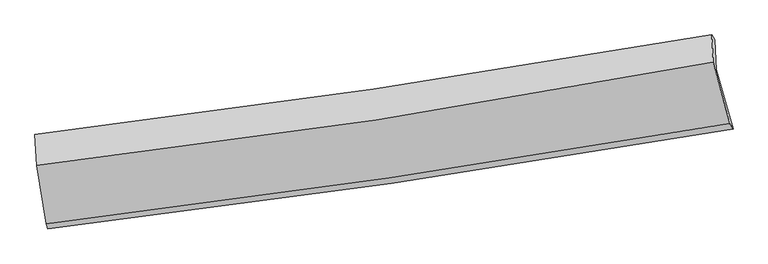
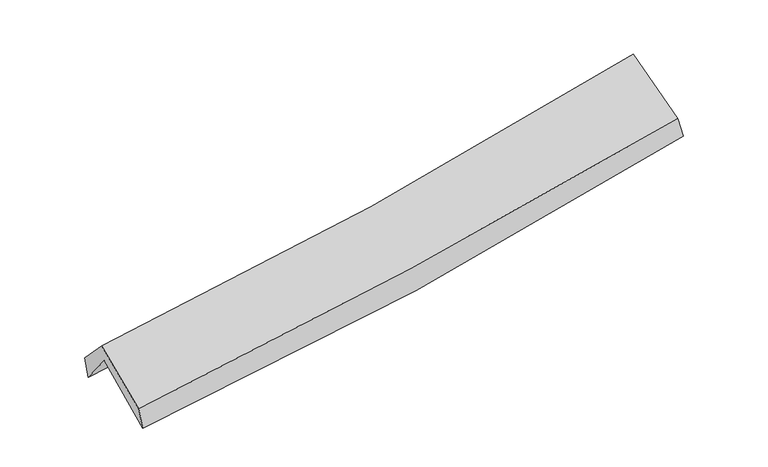
"""IFC4 building model written with IfcOpenShell, lengths in millimetres: proxy geometry."""

from ifc_helpers import new_model, si_unit, frame, origin, place, context, project, spatial, source, transform, mapped, element, save
from ifc_brep_helpers import plane_surface, spline_curve, spline_surface, advanced_brep


def generic_models_8c7ae4a8(model_context):
    return source(origin(), model_context, "Body", "AdvancedBrep", [
        advanced_brep(
        [(-2830.4015563, -2506.0528725, 1469.5464141), (-2914.3517277, -1997.7725502, 1898.6496983), (2847.3145371, -1151.5116043, 2405.6983542), (2990.3921069, -1655.8581535, 1963.0678376), (-2926.1294861, -1741.8375766, 1573.2790469), (2835.7872989, -895.5493131, 2080.4146535), (-2940.9972911, -1703.544983, 1757.297032), (2810.2702414, -856.1815635, 2244.1391372), (-2925.6870661, -1968.2965991, 2038.3589561), (2821.2752001, -1089.9093545, 2536.8540521), (-2845.4852796, -2464.6859604, 1650.9777904), (2963.6976919, -1611.0110236, 2128.2065534)],
        [
            (0, 1),
            (1, 2, spline_curve(3, [(-2914.3517277, -1997.7725502, 1898.6496983), (-1947.881063351, -1888.240065021, 1951.478388132), (-985.06256438, -1763.052600083, 2020.07909431), (935.509934176, -1481.038817989, 2189.021565586), (1893.246856818, -1324.139300816, 2289.437078054), (2847.3145371, -1151.5116043, 2405.6983542)], [4, 2, 4], [0.0, 9.628456509305805, 19.279397243420004])),
            (2, 3),
            (3, 0, spline_curve(3, [(2990.3921069, -1655.8581535, 1963.0678376), (2026.716286519, -1824.242927482, 1839.838579992), (1059.24211418, -1979.352036796, 1737.073040107), (-881.040117688, -2262.688490935, 1572.661138499), (-1853.830499855, -2390.977620942, 1510.919537072), (-2830.4015563, -2506.0528725, 1469.5464141)], [4, 2, 4], [0.0, 9.650940734114199, 19.279397243420004])),
            (1, 4),
            (4, 5, spline_curve(3, [(-2926.1294861, -1741.8375766, 1573.2790469), (-1959.635443116, -1632.096269422, 1625.999362259), (-996.784413083, -1506.802000585, 1694.553046981), (923.871549417, -1224.778635711, 1863.524215382), (1881.659447568, -1067.976816518, 1964.015732643), (2835.7872989, -895.5493131, 2080.4146535)], [4, 2, 4], [0.0, 9.581167143610488, 19.184708082623754])),
            (5, 2),
            (4, 6),
            (6, 7, spline_curve(3, [(-2940.9972911, -1703.544983, 1757.297032), (-1978.386889911, -1588.092422575, 1818.900401897), (-1018.365314129, -1459.849809652, 1890.213611314), (898.735968287, -1177.455140217, 2052.448911473), (1855.803570143, -1023.243280418, 2143.416404052), (2810.2702414, -856.1815635, 2244.1391372)], [4, 2, 4], [0.0, 9.570683637961844, 19.163716590403947])),
            (7, 5),
            (6, 8),
            (8, 9, spline_curve(3, [(-2925.6870661, -1968.2965991, 2038.3589561), (-1961.596317612, -1855.575637503, 2095.64855171), (-1001.191641186, -1726.12112458, 2165.771176981), (914.479683083, -1433.403619681, 2331.876204), (1869.729095129, -1270.062384487, 2427.918610787), (2821.2752001, -1089.9093545, 2536.8540521)], [4, 2, 4], [0.0, 9.56174879765786, 19.145826045293152])),
            (9, 7),
            (8, 10),
            (10, 11, spline_curve(3, [(-2845.4852796, -2464.6859604, 1650.9777904), (-1873.57355923, -2345.273256975, 1713.179597504), (-904.080864115, -2214.523529269, 1783.993129923), (1032.324770801, -1930.018226915, 1943.029117327), (1999.226399356, -1776.209642311, 2031.291839441), (2963.6976919, -1611.0110236, 2128.2065534)], [4, 2, 4], [0.0, 9.608399447125395, 19.239236282113445])),
            (11, 9),
            (10, 0),
            (3, 11),
        ],
        [
            spline_surface(3, 3, [[(-2830.4015563, -2506.0528725, 1469.5464141), (-1853.830499924, -2390.977621099, 1510.919537032), (-881.040117832, -2262.688490815, 1572.661138416), (1059.242114324, -1979.352036916, 1737.07304019), (2026.716286645, -1824.242927504, 1839.838579976), (2990.3921069, -1655.8581535, 1963.0678376)], [(-2858.38494676, -2336.626098418, 1612.580842154), (-1885.180687753, -2223.398435721, 1657.772487341), (-915.714266645, -2096.143193898, 1721.800457022), (1017.998054279, -1813.247630614, 1887.722548703), (1982.226476647, -1657.541718638, 1989.704746021), (2942.69958363, -1487.742637108, 2110.611343137)], [(-2886.36833724, -2167.199324282, 1755.615270246), (-1916.530875603, -2055.819250289, 1804.625437688), (-950.388415519, -1929.59789698, 1870.939775594), (976.753994173, -1647.143224311, 2038.372057183), (1937.736666659, -1490.840509746, 2139.570912054), (2895.00706037, -1319.627120692, 2258.154848663)], [(-2914.3517277, -1997.7725502, 1898.6496983), (-1947.881063431, -1888.240064911, 1951.478387997), (-985.062564332, -1763.052600063, 2020.0790942), (935.509934128, -1481.038818008, 2189.021565696), (1893.246856662, -1324.13930088, 2289.437078098), (2847.3145371, -1151.5116043, 2405.6983542)]], [4, 4], [4, 2, 4], [0.0, 2.2352300013559705], [0.0, 9.628456509305805, 19.279397243420004]),
            spline_surface(3, 3, [[(-2914.3517277, -1997.7725502, 1898.6496983), (-1947.881063431, -1888.240064911, 1951.478387997), (-985.062564332, -1763.052600063, 2020.0790942), (935.509934128, -1481.038818008, 2189.021565696), (1893.246856662, -1324.13930088, 2289.437078098), (2847.3145371, -1151.5116043, 2405.6983542)], [(-2918.277647175, -1912.46089233, 1790.192814505), (-1951.799190019, -1802.858799738, 1842.985379407), (-988.969847257, -1677.635733597, 1911.570411812), (931.630472524, -1395.61875725, 2080.522448867), (1889.384386982, -1238.751806128, 2180.963296249), (2843.472124383, -1066.19084057, 2297.270453955)], [(-2922.203566625, -1827.14923447, 1681.735930695), (-1955.717316582, -1717.477534577, 1734.492370801), (-992.87713012, -1592.21886708, 1803.061729483), (927.751010982, -1310.19869644, 1972.023332096), (1885.521917252, -1153.364311367, 2072.489514435), (2839.629711617, -980.87007683, 2188.842553745)], [(-2926.1294861, -1741.8375766, 1573.2790469), (-1959.635443169, -1632.096269404, 1625.99936221), (-996.784413044, -1506.802000614, 1694.553047096), (923.871549378, -1224.778635681, 1863.524215267), (1881.659447571, -1067.976816615, 1964.015732586), (2835.7872989, -895.5493131, 2080.4146535)]], [4, 4], [4, 2, 4], [0.0, 1.3597135985285702], [0.0, 9.581167143610488, 19.184708082623754]),
            spline_surface(3, 3, [[(-2926.1294861, -1741.8375766, 1573.2790469), (-1959.635443169, -1632.096269404, 1625.99936221), (-996.784413044, -1506.802000614, 1694.553047096), (923.871549378, -1224.778635681, 1863.524215267), (1881.659447571, -1067.976816615, 1964.015732586), (2835.7872989, -895.5493131, 2080.4146535)], [(-2931.085421113, -1729.073378731, 1634.618375279), (-1965.885925383, -1617.428320478, 1690.299708836), (-1003.978046729, -1491.151270227, 1759.77323515), (915.493022351, -1209.004137221, 1926.499114014), (1873.040821737, -1053.065637832, 2023.815956419), (2827.281613051, -882.426729882, 2134.989481418)], [(-2936.041356087, -1716.309180869, 1695.957703621), (-1972.136407558, -1602.760371559, 1754.600055425), (-1011.171680434, -1475.500539898, 1824.993423213), (907.114495303, -1193.229638818, 1989.474012771), (1864.422195948, -1038.154459104, 2083.616180197), (2818.775927249, -869.304146718, 2189.564309282)], [(-2940.9972911, -1703.544983, 1757.297032), (-1978.386889772, -1588.092422633, 1818.900402051), (-1018.365314119, -1459.849809511, 1890.213611267), (898.735968276, -1177.455140358, 2052.448911519), (1855.803570113, -1023.243280322, 2143.416404029), (2810.2702414, -856.1815635, 2244.1391372)]], [4, 4], [4, 2, 4], [0.0, 0.654042175399413], [0.0, 9.570683637961844, 19.163716590403947]),
            spline_surface(3, 3, [[(-2940.9972911, -1703.544983, 1757.297032), (-1978.386889772, -1588.092422633, 1818.900402051), (-1018.365314119, -1459.849809511, 1890.213611267), (898.735968276, -1177.455140358, 2052.448911519), (1855.803570113, -1023.243280322, 2143.416404029), (2810.2702414, -856.1815635, 2244.1391372)], [(-2935.893882763, -1791.795521693, 1850.984340016), (-1972.790032405, -1677.253494296, 1911.149785237), (-1012.640756451, -1548.606914567, 1982.066133188), (903.983873202, -1262.771300108, 2145.59134237), (1860.44541182, -1105.516315007, 2238.250472905), (2813.938560984, -934.090827175, 2341.710775492)], [(-2930.790474437, -1880.046060407, 1944.671648084), (-1967.19317505, -1766.414565981, 2003.399168476), (-1006.916198804, -1637.36401961, 2073.918655048), (909.231778107, -1348.087459845, 2238.733773161), (1865.087253475, -1187.789349666, 2333.084541803), (2817.606880516, -1012.000090825, 2439.282413808)], [(-2925.6870661, -1968.2965991, 2038.3589561), (-1961.596317683, -1855.575637644, 2095.648551662), (-1001.191641137, -1726.121124666, 2165.771176969), (914.479683033, -1433.403619595, 2331.876204012), (1869.729095182, -1270.062384351, 2427.918610678), (2821.2752001, -1089.9093545, 2536.8540521)]], [4, 4], [4, 2, 4], [0.0, 1.251232836277606], [0.0, 9.56174879765786, 19.145826045293152]),
            spline_surface(3, 3, [[(-2925.6870661, -1968.2965991, 2038.3589561), (-1961.596317683, -1855.575637644, 2095.648551662), (-1001.191641137, -1726.121124666, 2165.771176969), (914.479683033, -1433.403619595, 2331.876204012), (1869.729095182, -1270.062384351, 2427.918610678), (2821.2752001, -1089.9093545, 2536.8540521)], [(-2898.953137262, -2133.759719551, 1909.231900889), (-1932.255398148, -2018.808177408, 1968.158900325), (-968.821382118, -1888.9219262, 2038.511827946), (953.761378923, -1598.941822028, 2202.260508453), (1912.894863287, -1438.77813698, 2295.709686911), (2868.749364035, -1263.609910851, 2400.638219208)], [(-2872.219208438, -2299.222839949, 1780.104845611), (-1902.914478627, -2182.040717118, 1840.669248922), (-936.451123068, -2051.722727746, 1911.25247893), (993.043074844, -1764.480024472, 2072.644812901), (1956.060631388, -1607.493889656, 2163.50076312), (2916.223527965, -1437.310467249, 2264.422386292)], [(-2845.4852796, -2464.6859604, 1650.9777904), (-1873.573559092, -2345.273256881, 1713.179597586), (-904.080864049, -2214.52352928, 1783.993129908), (1032.324770734, -1930.018226904, 1943.029117342), (1999.226399493, -1776.209642284, 2031.291839354), (2963.6976919, -1611.0110236, 2128.2065534)]], [4, 4], [4, 2, 4], [0.0, 2.081725696388652], [0.0, 9.608399447125395, 19.239236282113445]),
            spline_surface(3, 3, [[(-2845.4852796, -2464.6859604, 1650.9777904), (-1873.573559092, -2345.273256881, 1713.179597586), (-904.080864049, -2214.52352928, 1783.993129908), (1032.324770734, -1930.018226904, 1943.029117342), (1999.226399493, -1776.209642284, 2031.291839354), (2963.6976919, -1611.0110236, 2128.2065534)], [(-2840.457371828, -2478.474931077, 1590.500664957), (-1866.992539364, -2360.508044931, 1645.759577392), (-896.400615313, -2230.57851646, 1713.549132737), (1041.297218595, -1946.462830243, 1874.377091618), (2008.389695193, -1792.220737372, 1967.474086217), (2972.595830216, -1625.960066914, 2073.160314789)], [(-2835.429464072, -2492.263901823, 1530.023539543), (-1860.411519652, -2375.74283305, 1578.339557226), (-888.720366568, -2246.633503635, 1643.105135587), (1050.269666464, -1962.907433577, 1805.725065914), (2017.552990944, -1808.231832417, 1903.656333113), (2981.493968584, -1640.909110186, 2018.114076211)], [(-2830.4015563, -2506.0528725, 1469.5464141), (-1853.830499924, -2390.977621099, 1510.919537032), (-881.040117832, -2262.688490815, 1572.661138416), (1059.242114324, -1979.352036916, 1737.07304019), (2026.716286645, -1824.242927504, 1839.838579976), (2990.3921069, -1655.8581535, 1963.0678376)]], [4, 4], [4, 2, 4], [0.0, 0.7077077363602154], [0.0, 9.664596459259291, 19.35176153678698]),
            plane_surface(frame((2878.122846, -1210.0035021, 2226.3967647), z_axis=(0.9772926987302655, 0.1819722025698285, 0.10855919353237785), x_axis=(0.21025947066607695, -0.7693065871127482, -0.6032895905120167))),
            plane_surface(frame((-2897.1754012, -2063.6984236, 1731.3514896), z_axis=(-0.9916039326659453, -0.11663077239637024, -0.0558471454208497), x_axis=(-0.08079216719918249, 0.22157145177384568, 0.9717914989739773))),
        ],
        [
            (0, [[1, 2, 3, 4]]),
            (1, [[5, 6, 7, -2]]),
            (2, [[8, 9, 10, -6]]),
            (3, [[11, 12, 13, -9]]),
            (4, [[14, 15, 16, -12]]),
            (5, [[17, -4, 18, -15]]),
            (6, [[-16, -18, -3, -7, -10, -13]]),
            (7, [[-17, -14, -11, -8, -5, -1]]),
        ],
    ),
    ])


if __name__ == "__main__":
    model = new_model("IFC4")
    model_context = context("Model", 3, world=origin())
    ifc_project = project(units=[si_unit("LENGTHUNIT", "METRE", prefix="MILLI")], contexts=[model_context])
    site = spatial("IfcSite", under=ifc_project)
    building = spatial("IfcBuilding", under=site)
    placement = place(None, origin())
    generic_models_shape = generic_models_8c7ae4a8(model_context)
    element("IfcBuildingElementProxy", 1, Name="Generic Models", at=placement, inside=building, context=model_context, shape_type="MappedRepresentation", body=[
        mapped(generic_models_shape, transform((0.0, 0.0, 0.0), x_axis=(1.0, 0.0, 0.0), y_axis=(0.0, 1.0, 0.0), z_axis=(0.0, 0.0, 1.0))),
    ])
    save(model, "model.ifc")
